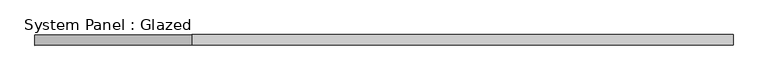
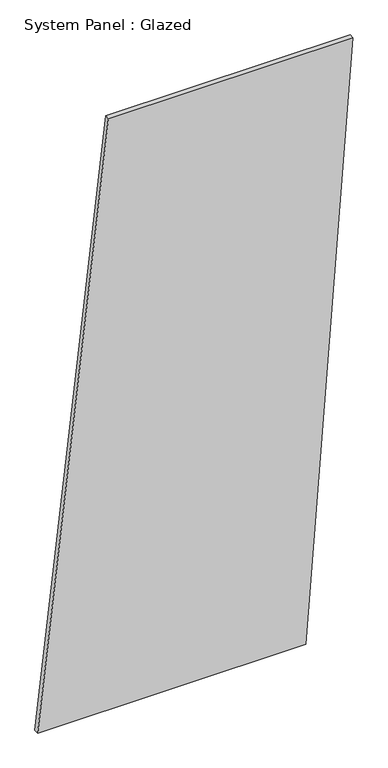
"""IFC4 building model written with IfcOpenShell, lengths in millimetres: plate geometry, System Panel : Glazed."""

import ifcopenshell
import ifcopenshell.guid

model = None  # the IFC model being written
_history = None  # IfcOwnerHistory: only IFC2X3 demands one
_inside = {}  # id of a spatial element -> (the spatial element, [elements in it])
_under = {}  # id of a project, library or spatial element -> (it, [spatial elements below it])
_declared = {}  # id of a project -> (the project, [libraries it declares])
_typed = {}  # id of a type object -> (the type object, [elements of that type])
_made_of = {}  # id of a material, layer set ... -> (it, [elements and type objects made of it])


def new_model(schema):
    """Start an empty IFC model of exactly this schema.

    Asked for "IFC4X3", IfcOpenShell would pick the latest addendum, in which some entities
    have other attributes; the version numbers below select the first issue.
    IFC2X3 requires an IfcOwnerHistory on every rooted entity: one is made here for all.
    """
    global model, _history
    if schema == "IFC4X3":
        model = ifcopenshell.file(schema_version=(4, 3, 0, 0))
    else:
        model = ifcopenshell.file(schema=schema)
    _inside.clear()
    _under.clear()
    _declared.clear()
    _typed.clear()
    _made_of.clear()
    _history = None
    if model.schema == "IFC2X3":
        org = make("IfcOrganization", Name="unknown")
        user = make(
            "IfcPersonAndOrganization",
            ThePerson=make("IfcPerson", FamilyName="unknown"),
            TheOrganization=org,
        )
        app = make(
            "IfcApplication",
            ApplicationDeveloper=org,
            Version="unknown",
            ApplicationFullName="unknown",
            ApplicationIdentifier="unknown",
        )
        _history = make(
            "IfcOwnerHistory",
            OwningUser=user,
            OwningApplication=app,
            ChangeAction="ADDED",
            CreationDate=0,
        )
    return model


def make(cls, **values):
    """One entity of the class cls with the attributes given. An attribute that is None is left unset."""
    return model.create_entity(
        cls, **{name: value for name, value in values.items() if value is not None}
    )


def rooted(cls, **values):
    """An entity with a GlobalId (a new one), such as an element, a storey or a relation."""
    return make(cls, GlobalId=ifcopenshell.guid.new(), OwnerHistory=_history, **values)


def si_unit(unit_type, name, prefix=None):
    """IfcSIUnit, for example si_unit("LENGTHUNIT", "METRE", prefix="MILLI")."""
    return make("IfcSIUnit", UnitType=unit_type, Prefix=prefix, Name=name)


def assignment(units):
    """IfcUnitAssignment: the units of a project."""
    return None if units is None else make("IfcUnitAssignment", Units=units)


def point(xyz):
    """IfcCartesianPoint."""
    return None if xyz is None else make("IfcCartesianPoint", Coordinates=xyz)


def direction(xyz):
    """IfcDirection."""
    return None if xyz is None else make("IfcDirection", DirectionRatios=xyz)


def frame(location, z_axis=None, x_axis=None):
    """IfcAxis2Placement3D, a coordinate frame: its origin and axes. An axis left out is left unset."""
    return make(
        "IfcAxis2Placement3D",
        Location=point(location),
        Axis=direction(z_axis),
        RefDirection=direction(x_axis),
    )


def origin():
    """The frame at (0, 0, 0) with its axes left unset."""
    return frame((0.0, 0.0, 0.0))


def place(relative_to, where):
    """IfcLocalPlacement: puts the frame where relative to a parent placement (None: the world)."""
    return make(
        "IfcLocalPlacement", PlacementRelTo=relative_to, RelativePlacement=where
    )


def context(
    kind, dimensions, precision=None, world=None, true_north=None, identifier=None
):
    """IfcGeometricRepresentationContext, for example the 3D "Model" context."""
    return make(
        "IfcGeometricRepresentationContext",
        ContextIdentifier=identifier,
        ContextType=kind,
        CoordinateSpaceDimension=dimensions,
        Precision=precision,
        WorldCoordinateSystem=world,
        TrueNorth=true_north,
    )


def project(units=None, contexts=None):
    """IfcProject with its units and contexts."""
    return rooted(
        "IfcProject",
        Name="project",
        RepresentationContexts=contexts,
        UnitsInContext=assignment(units),
    )


def spatial(cls, under=None, at=None, **own):
    """A site, building, storey or space (cls), placed at a placement, below another one or the project."""
    s = rooted(cls, ObjectPlacement=at, **own)
    if under is not None:
        _under.setdefault(under.id(), (under, []))[1].append(s)
    return s


def polyline(points):
    """IfcPolyline through the points."""
    return make("IfcPolyline", Points=[point(p) for p in points])


def outline(outer, holes=None, kind="AREA"):
    """IfcArbitraryClosedProfileDef: a profile drawn as a closed curve; with holes, ...WithVoids."""
    if holes is None:
        return make("IfcArbitraryClosedProfileDef", ProfileType=kind, OuterCurve=outer)
    return make(
        "IfcArbitraryProfileDefWithVoids",
        ProfileType=kind,
        OuterCurve=outer,
        InnerCurves=holes,
    )


def extrude(swept, where, along, depth):
    """IfcExtrudedAreaSolid: the profile swept, set in the frame where, extruded along a direction by depth."""
    return make(
        "IfcExtrudedAreaSolid",
        SweptArea=swept,
        Position=where,
        ExtrudedDirection=direction(along),
        Depth=depth,
    )


def shape(context_of_items, identifier, shape_type, items):
    """IfcShapeRepresentation: the items that make up one representation, for example the "Body"."""
    return make(
        "IfcShapeRepresentation",
        ContextOfItems=context_of_items,
        RepresentationIdentifier=identifier,
        RepresentationType=shape_type,
        Items=items,
    )


def source(mapping_origin, context_of_items, identifier, shape_type, items):
    """IfcRepresentationMap: a shape defined once, which mapped items show again and again."""
    return make(
        "IfcRepresentationMap",
        MappingOrigin=mapping_origin,
        MappedRepresentation=shape(context_of_items, identifier, shape_type, items),
    )


def transform(
    local_origin,
    x_axis=None,
    y_axis=None,
    z_axis=None,
    scale=None,
    scale2=None,
    scale3=None,
    uniform=True,
):
    """IfcCartesianTransformationOperator3D, or its non-uniform kind. x_axis, y_axis, z_axis: its Axis1, 2, 3."""
    if uniform:
        return make(
            "IfcCartesianTransformationOperator3D",
            Axis1=direction(x_axis),
            Axis2=direction(y_axis),
            LocalOrigin=point(local_origin),
            Scale=scale,
            Axis3=direction(z_axis),
        )
    return make(
        "IfcCartesianTransformationOperator3DnonUniform",
        Axis1=direction(x_axis),
        Axis2=direction(y_axis),
        LocalOrigin=point(local_origin),
        Scale=scale,
        Axis3=direction(z_axis),
        Scale2=scale2,
        Scale3=scale3,
    )


def mapped(mapping_source, mapping_target):
    """IfcMappedItem: shows the shape of a source again, moved by a transform."""
    return make(
        "IfcMappedItem", MappingSource=mapping_source, MappingTarget=mapping_target
    )


def made_of(thing, what):
    """Note that an element or type object is made of a material, layer set ...; save() writes the relation."""
    if what is not None:
        _made_of.setdefault(what.id(), (what, []))[1].append(thing)
    return thing


def element(
    cls,
    number,
    at=None,
    inside=None,
    cuts=None,
    type_object=None,
    material=None,
    context=None,
    identifier="Body",
    shape_type=None,
    held_by="IfcProductDefinitionShape",
    body=None,
    shapes=None,
    **own,
):
    """One element of the class cls, such as IfcWall. Its Tag is "e" and its number.

    at: its placement. inside: the storey or other place that contains it. cuts: it is an
    opening in that element (IfcRelVoidsElement). A single representation is given by context,
    identifier, shape_type and body (its items); several are given by shapes. held_by: the class
    of the entity that holds the representations. save() writes the other relations.
    """
    e = rooted(cls, Tag="e%d" % number, ObjectPlacement=at, **own)
    if body is not None:
        shapes = [shape(context, identifier, shape_type, body)]
    if shapes is not None:
        e.Representation = make(held_by, Representations=shapes)
    if inside is not None:
        _inside.setdefault(inside.id(), (inside, []))[1].append(e)
    if cuts is not None:
        rooted(
            "IfcRelVoidsElement", RelatingBuildingElement=cuts, RelatedOpeningElement=e
        )
    if type_object is not None:
        _typed.setdefault(type_object.id(), (type_object, []))[1].append(e)
    return made_of(e, material)


def aggregate(whole, parts):
    """IfcRelAggregates: a whole, such as a stair, and the parts it consists of."""
    return rooted("IfcRelAggregates", RelatingObject=whole, RelatedObjects=parts)


def save(model, path):
    """Write the relations noted so far, then the file.

    IfcRelAggregates (storeys below a building ...), IfcRelContainedInSpatialStructure (elements
    in a storey), IfcRelDefinesByType, IfcRelAssociatesMaterial and IfcRelDeclares: one each for
    every whole, place, type object, material and project.
    """
    for whole, parts in _under.values():
        aggregate(whole, parts)
    for where, things in _inside.values():
        rooted(
            "IfcRelContainedInSpatialStructure",
            RelatedElements=things,
            RelatingStructure=where,
        )
    for kind, things in _typed.values():
        rooted("IfcRelDefinesByType", RelatedObjects=things, RelatingType=kind)
    for what, things in _made_of.values():
        rooted("IfcRelAssociatesMaterial", RelatedObjects=things, RelatingMaterial=what)
    for by, libraries in _declared.values():
        rooted("IfcRelDeclares", RelatingContext=by, RelatedDefinitions=libraries)
    model.write(path)


def system_panel_glazed_47176896(model_context):
    return source(origin(), model_context, "Body", "SweptSolid", [
        extrude(outline(polyline([(0.0, -840.5667096), (0.0, 589.0090434), (3333.2590354, 840.5667096), (3333.2590354, -463.2302104), (0.0, -840.5667096)])), frame((0.0, -49.5, 0.0), z_axis=(0.0, 1.0, 0.0), x_axis=(0.0, 0.0, 1.0)), (0.0, 0.0, 1.0), 25.0),
    ])


if __name__ == "__main__":
    model = new_model("IFC4")
    model_context = context("Model", 3, world=origin())
    ifc_project = project(units=[si_unit("LENGTHUNIT", "METRE", prefix="MILLI")], contexts=[model_context])
    site = spatial("IfcSite", under=ifc_project)
    building = spatial("IfcBuilding", under=site)
    placement = place(None, origin())
    system_panel_glazed_shape = system_panel_glazed_47176896(model_context)
    element("IfcPlate", 1, ObjectType="System Panel : Glazed", at=placement, inside=building, context=model_context, shape_type="MappedRepresentation", body=[
        mapped(system_panel_glazed_shape, transform((0.0, 0.0, 0.0), x_axis=(1.0, 0.0, 0.0), y_axis=(0.0, 1.0, 0.0), z_axis=(0.0, 0.0, 1.0))),
    ])
    save(model, "model.ifc")
